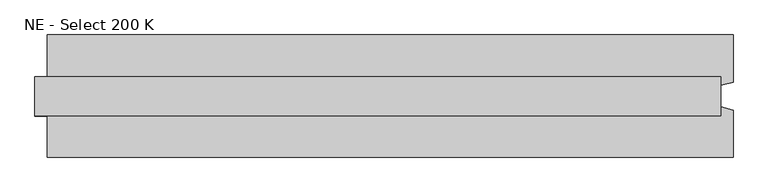
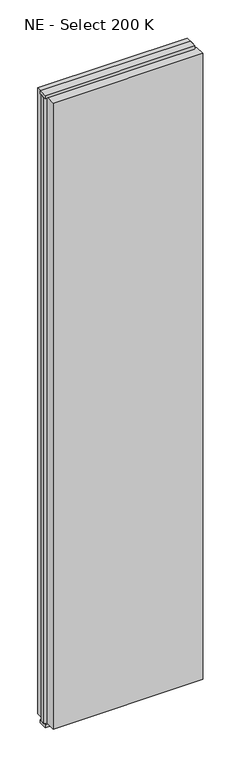
"""IFC4 building model written with IfcOpenShell, lengths in millimetres: plate geometry, NE - Select 200 K."""

from ifc_helpers import new_model, si_unit, frame, origin, origin_with_axes, place, context, project, spatial, polyline, outline, extrude, source, transform, mapped, element, save


def ne_select_200_k_c594d387(model_context):
    return source(origin(), model_context, "Body", "SweptSolid", [
        extrude(outline(polyline([(580.5, 100.0), (580.5, 22.9993165), (560.5, 17.6401049), (560.5, -17.6401049), (580.5, -22.9993165), (580.5, -100.0), (-540.5, -100.0), (-540.5, -22.9993165), (-560.5, -17.6401049), (-560.5, 17.6401049), (-540.5, 22.9993165), (-540.5, 100.0), (580.5, 100.0)])), frame((0.0, 0.0, 25.0), z_axis=(0.0, 0.0, 1.0), x_axis=(1.0, 0.0, 0.0)), (0.0, 0.0, 1.0), 4950.0),
        extrude(outline(polyline([(560.5, 32.0), (560.5, -32.0), (-560.5, -32.0), (-560.5, 32.0), (560.5, 32.0)])), origin_with_axes(), (0.0, 0.0, 1.0), 25.0),
        extrude(outline(polyline([(560.5, 32.0), (560.5, -32.0), (-560.5, -32.0), (-560.5, 32.0), (560.5, 32.0)])), frame((0.0, 0.0, 4975.0), z_axis=(0.0, 0.0, 1.0), x_axis=(1.0, 0.0, 0.0)), (0.0, 0.0, 1.0), 25.0),
    ])


if __name__ == "__main__":
    model = new_model("IFC4")
    model_context = context("Model", 3, world=origin())
    ifc_project = project(units=[si_unit("LENGTHUNIT", "METRE", prefix="MILLI")], contexts=[model_context])
    site = spatial("IfcSite", under=ifc_project)
    building = spatial("IfcBuilding", under=site)
    placement = place(None, origin())
    ne_select_200_k_shape = ne_select_200_k_c594d387(model_context)
    element("IfcPlate", 1, ObjectType="NE - Select 200 K", at=placement, inside=building, context=model_context, shape_type="MappedRepresentation", body=[
        mapped(ne_select_200_k_shape, transform((0.0, 0.0, 0.0), x_axis=(1.0, 0.0, 0.0), y_axis=(0.0, 1.0, 0.0), z_axis=(0.0, 0.0, 1.0))),
    ])
    save(model, "model.ifc")
